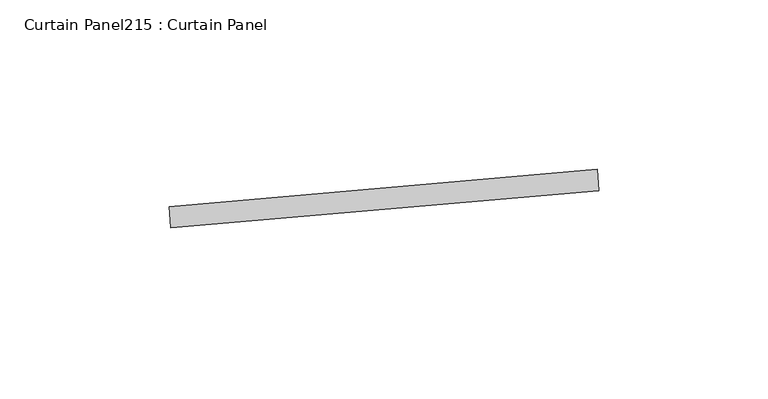
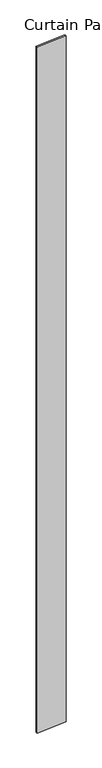
"""IFC4 building model written with IfcOpenShell, lengths in millimetres: plate geometry, Curtain Panel215 : Curtain Panel."""

from ifc_helpers import new_model, si_unit, frame, origin, place, context, project, spatial, polyline, outline, extrude, source, transform, mapped, element, save


def curtain_panel215_curtain_panel_8d0a5348(model_context):
    return source(origin(), model_context, "Body", "SweptSolid", [
        extrude(outline(polyline([(624291.4073563, 2443.3145918), (624164.8906296, 2432.2458125), (624164.3371906, 2438.5716488), (624290.8539173, 2449.6404281), (624291.4073563, 2443.3145918)])), frame((0.0, 0.0, 4959.7989371), z_axis=(0.0, 0.0, 1.0), x_axis=(1.0, 0.0, 0.0)), (0.0, 0.0, 1.0), 3048.0),
    ])


if __name__ == "__main__":
    model = new_model("IFC4")
    model_context = context("Model", 3, world=origin())
    ifc_project = project(units=[si_unit("LENGTHUNIT", "METRE", prefix="MILLI")], contexts=[model_context])
    site = spatial("IfcSite", under=ifc_project)
    building = spatial("IfcBuilding", under=site)
    placement = place(None, origin())
    curtain_panel215_curtain_panel_shape = curtain_panel215_curtain_panel_8d0a5348(model_context)
    element("IfcPlate", 1, ObjectType="Curtain Panel215 : Curtain Panel", at=placement, inside=building, context=model_context, shape_type="MappedRepresentation", body=[
        mapped(curtain_panel215_curtain_panel_shape, transform((0.0, 0.0, 0.0), x_axis=(1.0, 0.0, 0.0), y_axis=(0.0, 1.0, 0.0), z_axis=(0.0, 0.0, 1.0))),
    ])
    save(model, "model.ifc")
